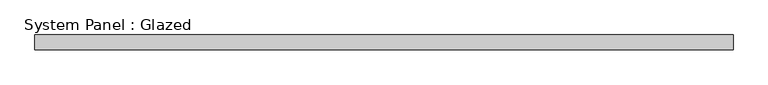
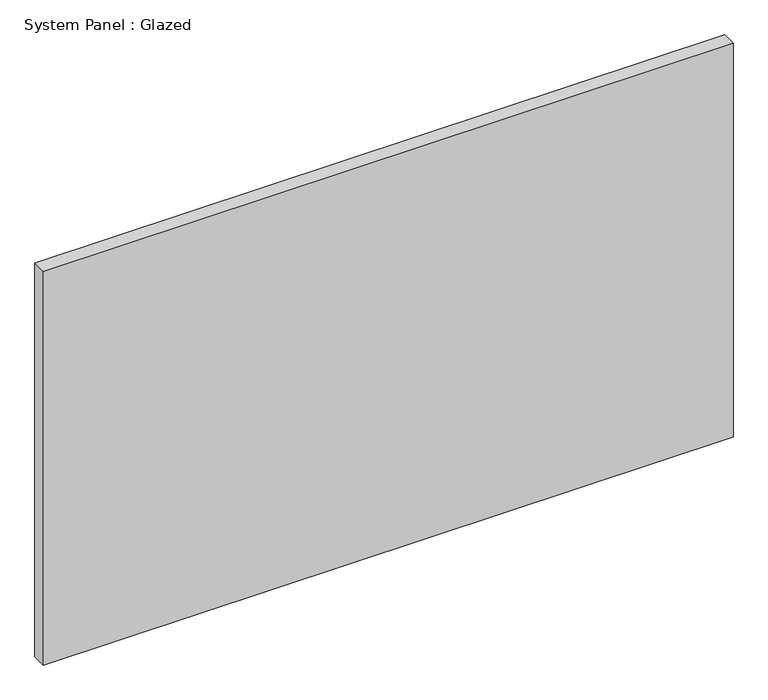
"""IFC4 building model written with IfcOpenShell, lengths in millimetres: plate geometry, System Panel : Glazed."""

import ifcopenshell
import ifcopenshell.guid

model = None  # the IFC model being written
_history = None  # IfcOwnerHistory: only IFC2X3 demands one
_inside = {}  # id of a spatial element -> (the spatial element, [elements in it])
_under = {}  # id of a project, library or spatial element -> (it, [spatial elements below it])
_declared = {}  # id of a project -> (the project, [libraries it declares])
_typed = {}  # id of a type object -> (the type object, [elements of that type])
_made_of = {}  # id of a material, layer set ... -> (it, [elements and type objects made of it])


def new_model(schema):
    """Start an empty IFC model of exactly this schema.

    Asked for "IFC4X3", IfcOpenShell would pick the latest addendum, in which some entities
    have other attributes; the version numbers below select the first issue.
    IFC2X3 requires an IfcOwnerHistory on every rooted entity: one is made here for all.
    """
    global model, _history
    if schema == "IFC4X3":
        model = ifcopenshell.file(schema_version=(4, 3, 0, 0))
    else:
        model = ifcopenshell.file(schema=schema)
    _inside.clear()
    _under.clear()
    _declared.clear()
    _typed.clear()
    _made_of.clear()
    _history = None
    if model.schema == "IFC2X3":
        org = make("IfcOrganization", Name="unknown")
        user = make(
            "IfcPersonAndOrganization",
            ThePerson=make("IfcPerson", FamilyName="unknown"),
            TheOrganization=org,
        )
        app = make(
            "IfcApplication",
            ApplicationDeveloper=org,
            Version="unknown",
            ApplicationFullName="unknown",
            ApplicationIdentifier="unknown",
        )
        _history = make(
            "IfcOwnerHistory",
            OwningUser=user,
            OwningApplication=app,
            ChangeAction="ADDED",
            CreationDate=0,
        )
    return model


def make(cls, **values):
    """One entity of the class cls with the attributes given. An attribute that is None is left unset."""
    return model.create_entity(
        cls, **{name: value for name, value in values.items() if value is not None}
    )


def rooted(cls, **values):
    """An entity with a GlobalId (a new one), such as an element, a storey or a relation."""
    return make(cls, GlobalId=ifcopenshell.guid.new(), OwnerHistory=_history, **values)


def si_unit(unit_type, name, prefix=None):
    """IfcSIUnit, for example si_unit("LENGTHUNIT", "METRE", prefix="MILLI")."""
    return make("IfcSIUnit", UnitType=unit_type, Prefix=prefix, Name=name)


def assignment(units):
    """IfcUnitAssignment: the units of a project."""
    return None if units is None else make("IfcUnitAssignment", Units=units)


def point(xyz):
    """IfcCartesianPoint."""
    return None if xyz is None else make("IfcCartesianPoint", Coordinates=xyz)


def direction(xyz):
    """IfcDirection."""
    return None if xyz is None else make("IfcDirection", DirectionRatios=xyz)


def frame(location, z_axis=None, x_axis=None):
    """IfcAxis2Placement3D, a coordinate frame: its origin and axes. An axis left out is left unset."""
    return make(
        "IfcAxis2Placement3D",
        Location=point(location),
        Axis=direction(z_axis),
        RefDirection=direction(x_axis),
    )


def origin():
    """The frame at (0, 0, 0) with its axes left unset."""
    return frame((0.0, 0.0, 0.0))


def origin_with_axes():
    """The frame at (0, 0, 0) with the z axis (0, 0, 1) and the x axis (1, 0, 0) written out."""
    return frame((0.0, 0.0, 0.0), z_axis=(0.0, 0.0, 1.0), x_axis=(1.0, 0.0, 0.0))


def place(relative_to, where):
    """IfcLocalPlacement: puts the frame where relative to a parent placement (None: the world)."""
    return make(
        "IfcLocalPlacement", PlacementRelTo=relative_to, RelativePlacement=where
    )


def context(
    kind, dimensions, precision=None, world=None, true_north=None, identifier=None
):
    """IfcGeometricRepresentationContext, for example the 3D "Model" context."""
    return make(
        "IfcGeometricRepresentationContext",
        ContextIdentifier=identifier,
        ContextType=kind,
        CoordinateSpaceDimension=dimensions,
        Precision=precision,
        WorldCoordinateSystem=world,
        TrueNorth=true_north,
    )


def project(units=None, contexts=None):
    """IfcProject with its units and contexts."""
    return rooted(
        "IfcProject",
        Name="project",
        RepresentationContexts=contexts,
        UnitsInContext=assignment(units),
    )


def spatial(cls, under=None, at=None, **own):
    """A site, building, storey or space (cls), placed at a placement, below another one or the project."""
    s = rooted(cls, ObjectPlacement=at, **own)
    if under is not None:
        _under.setdefault(under.id(), (under, []))[1].append(s)
    return s


def polyline(points):
    """IfcPolyline through the points."""
    return make("IfcPolyline", Points=[point(p) for p in points])


def outline(outer, holes=None, kind="AREA"):
    """IfcArbitraryClosedProfileDef: a profile drawn as a closed curve; with holes, ...WithVoids."""
    if holes is None:
        return make("IfcArbitraryClosedProfileDef", ProfileType=kind, OuterCurve=outer)
    return make(
        "IfcArbitraryProfileDefWithVoids",
        ProfileType=kind,
        OuterCurve=outer,
        InnerCurves=holes,
    )


def extrude(swept, where, along, depth):
    """IfcExtrudedAreaSolid: the profile swept, set in the frame where, extruded along a direction by depth."""
    return make(
        "IfcExtrudedAreaSolid",
        SweptArea=swept,
        Position=where,
        ExtrudedDirection=direction(along),
        Depth=depth,
    )


def shape(context_of_items, identifier, shape_type, items):
    """IfcShapeRepresentation: the items that make up one representation, for example the "Body"."""
    return make(
        "IfcShapeRepresentation",
        ContextOfItems=context_of_items,
        RepresentationIdentifier=identifier,
        RepresentationType=shape_type,
        Items=items,
    )


def source(mapping_origin, context_of_items, identifier, shape_type, items):
    """IfcRepresentationMap: a shape defined once, which mapped items show again and again."""
    return make(
        "IfcRepresentationMap",
        MappingOrigin=mapping_origin,
        MappedRepresentation=shape(context_of_items, identifier, shape_type, items),
    )


def transform(
    local_origin,
    x_axis=None,
    y_axis=None,
    z_axis=None,
    scale=None,
    scale2=None,
    scale3=None,
    uniform=True,
):
    """IfcCartesianTransformationOperator3D, or its non-uniform kind. x_axis, y_axis, z_axis: its Axis1, 2, 3."""
    if uniform:
        return make(
            "IfcCartesianTransformationOperator3D",
            Axis1=direction(x_axis),
            Axis2=direction(y_axis),
            LocalOrigin=point(local_origin),
            Scale=scale,
            Axis3=direction(z_axis),
        )
    return make(
        "IfcCartesianTransformationOperator3DnonUniform",
        Axis1=direction(x_axis),
        Axis2=direction(y_axis),
        LocalOrigin=point(local_origin),
        Scale=scale,
        Axis3=direction(z_axis),
        Scale2=scale2,
        Scale3=scale3,
    )


def mapped(mapping_source, mapping_target):
    """IfcMappedItem: shows the shape of a source again, moved by a transform."""
    return make(
        "IfcMappedItem", MappingSource=mapping_source, MappingTarget=mapping_target
    )


def made_of(thing, what):
    """Note that an element or type object is made of a material, layer set ...; save() writes the relation."""
    if what is not None:
        _made_of.setdefault(what.id(), (what, []))[1].append(thing)
    return thing


def element(
    cls,
    number,
    at=None,
    inside=None,
    cuts=None,
    type_object=None,
    material=None,
    context=None,
    identifier="Body",
    shape_type=None,
    held_by="IfcProductDefinitionShape",
    body=None,
    shapes=None,
    **own,
):
    """One element of the class cls, such as IfcWall. Its Tag is "e" and its number.

    at: its placement. inside: the storey or other place that contains it. cuts: it is an
    opening in that element (IfcRelVoidsElement). A single representation is given by context,
    identifier, shape_type and body (its items); several are given by shapes. held_by: the class
    of the entity that holds the representations. save() writes the other relations.
    """
    e = rooted(cls, Tag="e%d" % number, ObjectPlacement=at, **own)
    if body is not None:
        shapes = [shape(context, identifier, shape_type, body)]
    if shapes is not None:
        e.Representation = make(held_by, Representations=shapes)
    if inside is not None:
        _inside.setdefault(inside.id(), (inside, []))[1].append(e)
    if cuts is not None:
        rooted(
            "IfcRelVoidsElement", RelatingBuildingElement=cuts, RelatedOpeningElement=e
        )
    if type_object is not None:
        _typed.setdefault(type_object.id(), (type_object, []))[1].append(e)
    return made_of(e, material)


def aggregate(whole, parts):
    """IfcRelAggregates: a whole, such as a stair, and the parts it consists of."""
    return rooted("IfcRelAggregates", RelatingObject=whole, RelatedObjects=parts)


def save(model, path):
    """Write the relations noted so far, then the file.

    IfcRelAggregates (storeys below a building ...), IfcRelContainedInSpatialStructure (elements
    in a storey), IfcRelDefinesByType, IfcRelAssociatesMaterial and IfcRelDeclares: one each for
    every whole, place, type object, material and project.
    """
    for whole, parts in _under.values():
        aggregate(whole, parts)
    for where, things in _inside.values():
        rooted(
            "IfcRelContainedInSpatialStructure",
            RelatedElements=things,
            RelatingStructure=where,
        )
    for kind, things in _typed.values():
        rooted("IfcRelDefinesByType", RelatedObjects=things, RelatingType=kind)
    for what, things in _made_of.values():
        rooted("IfcRelAssociatesMaterial", RelatedObjects=things, RelatingMaterial=what)
    for by, libraries in _declared.values():
        rooted("IfcRelDeclares", RelatingContext=by, RelatedDefinitions=libraries)
    model.write(path)


def system_panel_glazed_8a78bd55(model_context):
    return source(origin(), model_context, "Body", "SweptSolid", [
        extrude(outline(polyline([(594.5979167, -44.45), (-594.5979167, -44.45), (-594.5979167, -19.05), (594.5979167, -19.05), (594.5979167, -44.45)])), origin_with_axes(), (0.0, 0.0, 1.0), 717.95),
    ])


if __name__ == "__main__":
    model = new_model("IFC4")
    model_context = context("Model", 3, world=origin())
    ifc_project = project(units=[si_unit("LENGTHUNIT", "METRE", prefix="MILLI")], contexts=[model_context])
    site = spatial("IfcSite", under=ifc_project)
    building = spatial("IfcBuilding", under=site)
    placement = place(None, origin())
    system_panel_glazed_shape = system_panel_glazed_8a78bd55(model_context)
    element("IfcPlate", 1, ObjectType="System Panel : Glazed", at=placement, inside=building, context=model_context, shape_type="MappedRepresentation", body=[
        mapped(system_panel_glazed_shape, transform((0.0, 0.0, 0.0), x_axis=(1.0, 0.0, 0.0), y_axis=(0.0, 1.0, 0.0), z_axis=(0.0, 0.0, 1.0))),
    ])
    save(model, "model.ifc")
